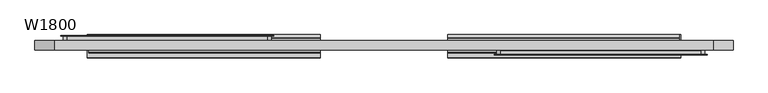
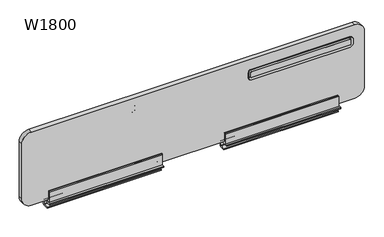
"""IFC4 building model written with IfcOpenShell, lengths in millimetres: furniture geometry, W1800."""

from ifc_helpers import new_model, si_unit, point, frame, frame_2d, origin, place, context, project, spatial, polyline, circle_curve, ellipse_curve, trimmed, segment, composite_curve, outline, extrude, source, transform, mapped, element, save
from ifc_brep_helpers import plane_surface, cylinder_surface, revolved_surface, advanced_brep


def w1800_6c0bc360(model_context):
    return source(origin(), model_context, "Body", "SolidModel", [
        extrude(outline(composite_curve([segment(trimmed(circle_curve(frame_2d((1100.5395145, 299.9604759)), 3.9604818), [point((1104.4999963, 299.9604759))], [point((1100.5395145, 295.9999941))], False, "CARTESIAN"), True, "CONTINUOUS"), segment(polyline([(1100.5395145, 295.9999941), (1077.5419464, 295.9999941)]), True, "CONTINUOUS"), segment(trimmed(circle_curve(frame_2d((1077.5419464, 300.0419496)), 4.0419555), [point((1077.5419464, 295.9999941))], [point((1073.4999909, 300.0419496))], False, "CARTESIAN"), True, "CONTINUOUS"), segment(polyline([(1073.4999909, 300.0419496), (1073.4999909, 818.0000013)]), True, "CONTINUOUS"), segment(trimmed(circle_curve(frame_2d((1077.4999909, 818.0000013)), 4.0), [point((1073.4999909, 818.0000013))], [point((1077.4999909, 822.0000013))], False, "CARTESIAN"), True, "CONTINUOUS"), segment(polyline([(1077.4999909, 822.0000013), (1100.4999963, 822.0000013)]), True, "CONTINUOUS"), segment(trimmed(circle_curve(frame_2d((1100.4999963, 818.0000013)), 4.0), [point((1100.4999963, 822.0000013))], [point((1104.4999963, 818.0000013))], False, "CARTESIAN"), True, "CONTINUOUS"), segment(polyline([(1104.4999963, 818.0000013), (1104.4999963, 299.9604759)]), True, "CONTINUOUS")], self_intersect=False)), frame((0.0, -25.5000105, 0.0), z_axis=(0.0, 1.0, 0.0), x_axis=(0.0, 0.0, 1.0)), (0.0, 0.0, 1.0), 15.4999997),
        extrude(outline(composite_curve([segment(trimmed(circle_curve(frame_2d((1077.4999909, -818.0000059)), 4.0), [point((1077.4999909, -822.0000059))], [point((1073.4999909, -818.0000059))], False, "CARTESIAN"), True, "CONTINUOUS"), segment(polyline([(1073.4999909, -818.0000059), (1073.4999909, -299.9999987)]), True, "CONTINUOUS"), segment(trimmed(circle_curve(frame_2d((1077.4999909, -299.9999987)), 4.0), [point((1073.4999909, -299.9999987))], [point((1077.4999909, -295.9999987))], False, "CARTESIAN"), True, "CONTINUOUS"), segment(polyline([(1077.4999909, -295.9999987), (1100.5029608, -295.9999987)]), True, "CONTINUOUS"), segment(trimmed(circle_curve(frame_2d((1100.5029608, -299.9970342)), 3.9970355), [point((1100.5029608, -295.9999987))], [point((1104.4999963, -299.9970342))], False, "CARTESIAN"), True, "CONTINUOUS"), segment(polyline([(1104.4999963, -299.9970342), (1104.4999963, -818.0000059)]), True, "CONTINUOUS"), segment(trimmed(circle_curve(frame_2d((1100.4999963, -818.0000059)), 4.0), [point((1104.4999963, -818.0000059))], [point((1100.4999963, -822.0000059))], False, "CARTESIAN"), True, "CONTINUOUS"), segment(polyline([(1100.4999963, -822.0000059), (1077.4999909, -822.0000059)]), True, "CONTINUOUS")], self_intersect=False)), frame((0.0, 10.0000108, 0.0), z_axis=(0.0, 1.0, 0.0), x_axis=(0.0, 0.0, 1.0)), (0.0, 0.0, 1.0), 15.4999997),
        advanced_brep(
        [(-300.0000016, 13.0062488, 1109.4999971), (-290.9999979, 13.0062488, 1100.4999934), (-290.9999979, 23.9980638, 1100.4999934), (-300.0000016, 23.9980638, 1109.4999971), (-294.0062359, 10.0000108, 1077.4999937), (-294.0062359, 10.0000108, 1100.4999934), (-300.0000016, 10.0000108, 1106.4937591), (-817.9543377, 10.0000108, 1106.4937591), (-823.9937687, 10.0000108, 1100.454328), (-823.9937687, 10.0000108, 1077.4999937), (-818.0000031, 10.0000108, 1071.5062281), (-300.0000016, 10.0000108, 1071.5062281), (-817.9543377, 10.0000108, 1104.4999963), (-300.0000016, 10.0000108, 1104.4999963), (-295.9999987, 10.0000108, 1100.4999934), (-295.9999987, 10.0000108, 1077.4999937), (-300.0000016, 10.0000108, 1073.4999909), (-818.0000031, 10.0000108, 1073.4999909), (-822.0000059, 10.0000108, 1077.4999937), (-822.0000059, 10.0000108, 1100.454328), (-290.9999979, 13.0062488, 1077.4999937), (-300.0000016, 13.0062488, 1068.4999901), (-300.0000016, 23.9980638, 1068.4999901), (-290.9999979, 23.9980638, 1077.4999937), (-822.0000059, 25.5000105, 1100.454328), (-817.9543377, 25.5000105, 1104.4999963), (-834.0000031, 23.9980638, 1100.454328), (-817.9543377, 23.9980638, 1116.4999934), (-817.9543377, 25.5000105, 1116.4999934), (-834.0000031, 25.5000105, 1100.454328), (-827.0000068, 13.0062488, 1100.454328), (-817.9543377, 13.0062488, 1109.4999971), (-817.9543377, 23.9980638, 1109.4999971), (-827.0000068, 23.9980638, 1100.454328), (-822.0000059, 25.5000105, 1077.4999937), (-834.0000031, 25.5000105, 1077.4999937), (-834.0000031, 23.9980638, 1077.4999937), (-827.0000068, 23.9980638, 1077.4999937), (-827.0000068, 13.0062488, 1077.4999937), (-818.0000031, 25.5000105, 1073.4999909), (-818.0000031, 23.9980638, 1061.4999937), (-818.0000031, 25.5000105, 1061.4999937), (-818.0000031, 13.0062488, 1068.4999901), (-818.0000031, 23.9980638, 1068.4999901), (-300.0000016, 25.5000105, 1073.4999909), (-300.0000016, 25.5000105, 1061.4999937), (-300.0000016, 23.9980638, 1061.4999937), (-295.9999987, 25.5000105, 1077.4999937), (-284.0000016, 23.9980638, 1077.4999937), (-284.0000016, 25.5000105, 1077.4999937), (-295.9999987, 25.5000105, 1100.4999934), (-284.0000016, 25.5000105, 1100.4999934), (-284.0000016, 23.9980638, 1100.4999934), (-300.0000016, 25.5000105, 1104.4999963), (-300.0000016, 23.9980638, 1116.4999934), (-300.0000016, 25.5000105, 1116.4999934)],
        [
            (0, 1, circle_curve(frame((-300.0000016, 13.0062488, 1100.4999934), z_axis=(0.0, 1.0, 0.0), x_axis=(1.0, 0.0, 0.0)), 9.0000037)),
            (1, 2),
            (2, 3, circle_curve(frame((-300.0000016, 23.9980638, 1100.4999934), z_axis=(0.0, -1.0, 0.0), x_axis=(1.0, 0.0, 0.0)), 9.0000037)),
            (3, 0),
            (4, 5),
            (5, 6, circle_curve(frame((-300.0000016, 10.0000108, 1100.4999934), z_axis=(0.0, -1.0, 0.0), x_axis=(1.0, 0.0, 0.0)), 5.9937656)),
            (6, 7),
            (7, 8, circle_curve(frame((-817.9543377, 10.0000108, 1100.454328), z_axis=(0.0, -1.0, 0.0), x_axis=(0.0, 0.0, 1.0)), 6.0394311)),
            (8, 9),
            (9, 10, circle_curve(frame((-818.0000031, 10.0000108, 1077.4999937), z_axis=(0.0, -1.0, 0.0), x_axis=(-1.0, 0.0, 0.0)), 5.9937656)),
            (10, 11),
            (11, 4, circle_curve(frame((-300.0000016, 10.0000108, 1077.4999937), z_axis=(0.0, -1.0, 0.0), x_axis=(0.0, 0.0, -1.0)), 5.9937656)),
            (12, 13),
            (13, 14, circle_curve(frame((-300.0000016, 10.0000108, 1100.4999934), z_axis=(0.0, 1.0, 0.0), x_axis=(1.0, 0.0, 0.0)), 4.0000028)),
            (14, 15),
            (15, 16, circle_curve(frame((-300.0000016, 10.0000108, 1077.4999937), z_axis=(0.0, 1.0, 0.0), x_axis=(0.0, 0.0, -1.0)), 4.0000028)),
            (16, 17),
            (17, 18, circle_curve(frame((-818.0000031, 10.0000108, 1077.4999937), z_axis=(0.0, 1.0, 0.0), x_axis=(-1.0, 0.0, 0.0)), 4.0000028)),
            (18, 19),
            (19, 12, circle_curve(frame((-817.9543377, 10.0000108, 1100.454328), z_axis=(0.0, 1.0, 0.0), x_axis=(0.0, 0.0, 1.0)), 4.0456683)),
            (20, 21, circle_curve(frame((-300.0000016, 13.0062488, 1077.4999937), z_axis=(0.0, 1.0, 0.0), x_axis=(0.0, 0.0, -1.0)), 9.0000037)),
            (21, 22),
            (22, 23, circle_curve(frame((-300.0000016, 23.9980638, 1077.4999937), z_axis=(0.0, -1.0, 0.0), x_axis=(0.0, 0.0, -1.0)), 9.0000037)),
            (23, 20),
            (11, 21, circle_curve(frame((-300.0000016, 13.0062488, 1071.5062281), z_axis=(1.0, 0.0, 0.0), x_axis=(0.0, 0.0, 1.0)), 3.006238)),
            (20, 4, circle_curve(frame((-294.0062359, 13.0062488, 1077.4999937), z_axis=(0.0, 0.0, -1.0), x_axis=(-1.0, 0.0, 0.0)), 3.006238)),
            (24, 25, circle_curve(frame((-817.9543377, 25.5000105, 1100.454328), z_axis=(0.0, 1.0, 0.0), x_axis=(0.0, 0.0, 1.0)), 4.0456683)),
            (25, 12),
            (19, 24),
            (26, 27, circle_curve(frame((-817.9543377, 23.9980638, 1100.454328), z_axis=(0.0, 1.0, 0.0), x_axis=(0.0, 0.0, 1.0)), 16.0456654)),
            (27, 28),
            (28, 29, circle_curve(frame((-817.9543377, 25.5000105, 1100.454328), z_axis=(0.0, -1.0, 0.0), x_axis=(0.0, 0.0, 1.0)), 16.0456654)),
            (29, 26),
            (30, 31, circle_curve(frame((-817.9543377, 13.0062488, 1100.454328), z_axis=(0.0, 1.0, 0.0), x_axis=(0.0, 0.0, 1.0)), 9.0456691)),
            (31, 32),
            (32, 33, circle_curve(frame((-817.9543377, 23.9980638, 1100.454328), z_axis=(0.0, -1.0, 0.0), x_axis=(0.0, 0.0, 1.0)), 9.0456691)),
            (33, 30),
            (7, 31, circle_curve(frame((-817.9543377, 13.0062488, 1106.4937591), z_axis=(-1.0, 0.0, 0.0), x_axis=(0.0, 0.0, -1.0)), 3.006238)),
            (30, 8, circle_curve(frame((-823.9937687, 13.0062488, 1100.454328), z_axis=(0.0, 0.0, 1.0), x_axis=(1.0, 0.0, 0.0)), 3.006238)),
            (18, 34),
            (34, 24),
            (29, 35),
            (35, 36),
            (36, 26),
            (33, 37),
            (37, 38),
            (38, 30),
            (38, 9, circle_curve(frame((-823.9937687, 13.0062488, 1077.4999937), z_axis=(0.0, 0.0, 1.0), x_axis=(1.0, 0.0, 0.0)), 3.006238)),
            (39, 34, circle_curve(frame((-818.0000031, 25.5000105, 1077.4999937), z_axis=(0.0, 1.0, 0.0), x_axis=(-1.0, 0.0, 0.0)), 4.0000028)),
            (17, 39),
            (40, 36, circle_curve(frame((-818.0000031, 23.9980638, 1077.4999937), z_axis=(0.0, 1.0, 0.0), x_axis=(-1.0, 0.0, 0.0)), 16.0)),
            (35, 41, circle_curve(frame((-818.0000031, 25.5000105, 1077.4999937), z_axis=(0.0, -1.0, 0.0), x_axis=(-1.0, 0.0, 0.0)), 16.0)),
            (41, 40),
            (42, 38, circle_curve(frame((-818.0000031, 13.0062488, 1077.4999937), z_axis=(0.0, 1.0, 0.0), x_axis=(-1.0, 0.0, 0.0)), 9.0000037)),
            (37, 43, circle_curve(frame((-818.0000031, 23.9980638, 1077.4999937), z_axis=(0.0, -1.0, 0.0), x_axis=(-1.0, 0.0, 0.0)), 9.0000037)),
            (43, 42),
            (42, 10, circle_curve(frame((-818.0000031, 13.0062488, 1071.5062281), z_axis=(-1.0, 0.0, 0.0), x_axis=(0.0, 0.0, 1.0)), 3.006238)),
            (16, 44),
            (44, 39),
            (41, 45),
            (45, 46),
            (46, 40),
            (43, 22),
            (21, 42),
            (47, 44, circle_curve(frame((-300.0000016, 25.5000105, 1077.4999937), z_axis=(0.0, 1.0, 0.0), x_axis=(0.0, 0.0, -1.0)), 4.0000028)),
            (15, 47),
            (48, 46, circle_curve(frame((-300.0000016, 23.9980638, 1077.4999937), z_axis=(0.0, 1.0, 0.0), x_axis=(0.0, 0.0, -1.0)), 16.0)),
            (45, 49, circle_curve(frame((-300.0000016, 25.5000105, 1077.4999937), z_axis=(0.0, -1.0, 0.0), x_axis=(0.0, 0.0, -1.0)), 16.0)),
            (49, 48),
            (14, 50),
            (50, 47),
            (49, 51),
            (51, 52),
            (52, 48),
            (23, 2),
            (1, 20),
            (1, 5, circle_curve(frame((-294.0062359, 13.0062488, 1100.4999934), z_axis=(0.0, 0.0, -1.0), x_axis=(-1.0, 0.0, 0.0)), 3.006238)),
            (53, 50, circle_curve(frame((-300.0000016, 25.5000105, 1100.4999934), z_axis=(0.0, 1.0, 0.0), x_axis=(1.0, 0.0, 0.0)), 4.0000028)),
            (13, 53),
            (54, 52, circle_curve(frame((-300.0000016, 23.9980638, 1100.4999934), z_axis=(0.0, 1.0, 0.0), x_axis=(1.0, 0.0, 0.0)), 16.0)),
            (51, 55, circle_curve(frame((-300.0000016, 25.5000105, 1100.4999934), z_axis=(0.0, -1.0, 0.0), x_axis=(1.0, 0.0, 0.0)), 16.0)),
            (55, 54),
            (0, 6, circle_curve(frame((-300.0000016, 13.0062488, 1106.4937591), z_axis=(1.0, 0.0, 0.0), x_axis=(0.0, 0.0, -1.0)), 3.006238)),
            (25, 53),
            (28, 55),
            (27, 54),
            (32, 3),
            (31, 0),
        ],
        [
            cylinder_surface(frame((-300.0000016, 0.0, 1100.4999934), z_axis=(0.0, -1.0, 0.0), x_axis=(1.0, 0.0, 0.0)), 9.0000037),
            plane_surface(frame((-300.0000016, 10.0000108, 1106.4937591), z_axis=(0.0, -1.0, 0.0), x_axis=(-1.0, 0.0, 0.0))),
            cylinder_surface(frame((-300.0000016, 0.0, 1077.4999937), z_axis=(0.0, -1.0, 0.0), x_axis=(0.0, 0.0, -1.0)), 9.0000037),
            revolved_surface(trimmed(ellipse_curve(frame((-300.0000016, 13.0062488, 1071.5062281), z_axis=(-1.0, 0.0, 0.0), x_axis=(0.0, 0.0, 1.0)), 3.006238, 3.006238), [point((-300.0000016, 13.0062488, 1068.4999901))], [point((-300.0000016, 10.0000108, 1071.5062281))], True, "CARTESIAN"), (-300.0000016, 0.0, 1077.4999937), (0.0, -1.0, 0.0)),
            revolved_surface(polyline([(-817.9543377, 10.0000108, 1104.4999963), (-817.9543377, 25.5000105, 1104.4999963)]), (-817.9543377, 0.0, 1100.454328), (0.0, -1.0, 0.0)),
            cylinder_surface(frame((-817.9543377, 0.0, 1100.454328), z_axis=(0.0, -1.0, 0.0), x_axis=(0.0, 0.0, 1.0)), 16.0456654),
            cylinder_surface(frame((-817.9543377, 0.0, 1100.454328), z_axis=(0.0, -1.0, 0.0), x_axis=(0.0, 0.0, 1.0)), 9.0456691),
            revolved_surface(trimmed(ellipse_curve(frame((-817.9543377, 13.0062488, 1106.4937591), z_axis=(1.0, 0.0, 0.0), x_axis=(0.0, 0.0, -1.0)), 3.006238, 3.006238), [point((-817.9543377, 13.0062488, 1109.4999971))], [point((-817.9543377, 10.0000108, 1106.4937591))], True, "CARTESIAN"), (-817.9543377, 0.0, 1100.454328), (0.0, -1.0, 0.0)),
            plane_surface(frame((-822.0000059, 10.0000108, 1100.454328), z_axis=(1.0, 0.0, 0.0), x_axis=(0.0, 0.0, -1.0))),
            plane_surface(frame((-834.0000031, 25.5000105, 1100.454328), z_axis=(-1.0, 0.0, 0.0), x_axis=(0.0, 0.0, -1.0))),
            plane_surface(frame((-827.0000068, 23.9980638, 1100.454328), z_axis=(-1.0, 0.0, 0.0), x_axis=(0.0, 0.0, -1.0))),
            cylinder_surface(frame((-823.9937687, 13.0062488, 1100.454328), z_axis=(0.0, 0.0, 1.0), x_axis=(1.0, 0.0, 0.0)), 3.006238),
            revolved_surface(polyline([(-822.0000058999999, 10.0000108, 1077.4999937), (-822.0000058999999, 25.5000105, 1077.4999937)]), (-818.0000031, 0.0, 1077.4999937), (0.0, -1.0, 0.0)),
            cylinder_surface(frame((-818.0000031, 0.0, 1077.4999937), z_axis=(0.0, -1.0, 0.0), x_axis=(-1.0, 0.0, 0.0)), 16.0),
            cylinder_surface(frame((-818.0000031, 0.0, 1077.4999937), z_axis=(0.0, -1.0, 0.0), x_axis=(-1.0, 0.0, 0.0)), 9.0000037),
            revolved_surface(trimmed(ellipse_curve(frame((-823.9937687, 13.0062488, 1077.4999937), z_axis=(0.0, 0.0, 1.0), x_axis=(1.0, 0.0, 0.0)), 3.006238, 3.006238), [point((-827.0000068, 13.0062488, 1077.4999937))], [point((-823.9937687, 10.0000108, 1077.4999937))], True, "CARTESIAN"), (-818.0000031, 0.0, 1077.4999937), (0.0, -1.0, 0.0)),
            plane_surface(frame((-818.0000031, 10.0000108, 1073.4999909), z_axis=(0.0, 0.0, 1.0), x_axis=(1.0, 0.0, 0.0))),
            plane_surface(frame((-818.0000031, 25.5000105, 1061.4999937), z_axis=(0.0, 0.0, -1.0), x_axis=(1.0, 0.0, 0.0))),
            plane_surface(frame((-818.0000031, 23.9980638, 1068.4999901), z_axis=(0.0, 0.0, -1.0), x_axis=(1.0, 0.0, 0.0))),
            cylinder_surface(frame((-818.0000031, 13.0062488, 1071.5062281), z_axis=(-1.0, 0.0, 0.0), x_axis=(0.0, 0.0, 1.0)), 3.006238),
            revolved_surface(polyline([(-300.0000016, 10.0000108, 1073.4999909), (-300.0000016, 25.5000105, 1073.4999909)]), (-300.0000016, 0.0, 1077.4999937), (0.0, -1.0, 0.0)),
            cylinder_surface(frame((-300.0000016, 0.0, 1077.4999937), z_axis=(0.0, -1.0, 0.0), x_axis=(0.0, 0.0, -1.0)), 16.0),
            plane_surface(frame((-295.9999987, 10.0000108, 1077.4999937), z_axis=(-1.0, 0.0, 0.0), x_axis=(0.0, 0.0, 1.0))),
            plane_surface(frame((-284.0000016, 25.5000105, 1077.4999937), z_axis=(1.0, 0.0, 0.0), x_axis=(0.0, 0.0, 1.0))),
            plane_surface(frame((-290.9999979, 23.9980638, 1077.4999937), z_axis=(1.0, 0.0, 0.0), x_axis=(0.0, 0.0, 1.0))),
            cylinder_surface(frame((-294.0062359, 13.0062488, 1077.4999937), z_axis=(0.0, 0.0, -1.0), x_axis=(-1.0, 0.0, 0.0)), 3.006238),
            revolved_surface(polyline([(-295.9999988, 10.0000108, 1100.4999934), (-295.9999988, 25.5000105, 1100.4999934)]), (-300.0000016, 0.0, 1100.4999934), (0.0, -1.0, 0.0)),
            cylinder_surface(frame((-300.0000016, 0.0, 1100.4999934), z_axis=(0.0, -1.0, 0.0), x_axis=(1.0, 0.0, 0.0)), 16.0),
            revolved_surface(trimmed(ellipse_curve(frame((-294.0062359, 13.0062488, 1100.4999934), z_axis=(0.0, 0.0, -1.0), x_axis=(-1.0, 0.0, 0.0)), 3.006238, 3.006238), [point((-290.9999979, 13.0062488, 1100.4999934))], [point((-294.0062359, 10.0000108, 1100.4999934))], True, "CARTESIAN"), (-300.0000016, 0.0, 1100.4999934), (0.0, -1.0, 0.0)),
            plane_surface(frame((-300.0000016, 10.0000108, 1104.4999963), z_axis=(0.0, 0.0, -1.0), x_axis=(-1.0, 0.0, 0.0))),
            plane_surface(frame((-300.0000016, 25.5000105, 1104.4999963), z_axis=(0.0, 1.0, 0.0), x_axis=(-1.0, 0.0, 0.0))),
            plane_surface(frame((-300.0000016, 25.5000105, 1116.4999934), z_axis=(0.0, 0.0, 1.0), x_axis=(-1.0, 0.0, 0.0))),
            plane_surface(frame((-300.0000016, 23.9980638, 1116.4999934), z_axis=(0.0, -1.0, 0.0), x_axis=(-1.0, 0.0, 0.0))),
            plane_surface(frame((-300.0000016, 23.9980638, 1109.4999971), z_axis=(0.0, 0.0, 1.0), x_axis=(-1.0, 0.0, 0.0))),
            cylinder_surface(frame((-300.0000016, 13.0062488, 1106.4937591), z_axis=(1.0, 0.0, 0.0), x_axis=(0.0, 0.0, -1.0)), 3.006238),
        ],
        [
            (0, [[1, 2, 3, 4]]),
            (1, [[5, 6, 7, 8, 9, 10, 11, 12], [13, 14, 15, 16, 17, 18, 19, 20]]),
            (2, [[21, 22, 23, 24]]),
            (3, [[-12, 25, -21, 26]]),
            (4, [[27, 28, -20, 29]]),
            (5, [[30, 31, 32, 33]]),
            (6, [[34, 35, 36, 37]]),
            (7, [[-8, 38, -34, 39]]),
            (8, [[-29, -19, 40, 41]]),
            (9, [[-33, 42, 43, 44]]),
            (10, [[-37, 45, 46, 47]]),
            (11, [[-39, -47, 48, -9]]),
            (12, [[49, -40, -18, 50]]),
            (13, [[51, -43, 52, 53]]),
            (14, [[54, -46, 55, 56]]),
            (15, [[-10, -48, -54, 57]]),
            (16, [[-50, -17, 58, 59]]),
            (17, [[-53, 60, 61, 62]]),
            (18, [[-56, 63, -22, 64]]),
            (19, [[-57, -64, -25, -11]]),
            (20, [[65, -58, -16, 66]]),
            (21, [[67, -61, 68, 69]]),
            (22, [[-66, -15, 70, 71]]),
            (23, [[-69, 72, 73, 74]]),
            (24, [[-24, 75, -2, 76]]),
            (25, [[-26, -76, 77, -5]]),
            (26, [[78, -70, -14, 79]]),
            (27, [[80, -73, 81, 82]]),
            (28, [[-6, -77, -1, 83]]),
            (29, [[-79, -13, -28, 84]]),
            (30, [[85, -81, -72, -68, -60, -52, -42, -32], [-71, -78, -84, -27, -41, -49, -59, -65]]),
            (31, [[-82, -85, -31, 86]]),
            (32, [[-74, -80, -86, -30, -44, -51, -62, -67], [87, -3, -75, -23, -63, -55, -45, -36]]),
            (33, [[-4, -87, -35, 88]]),
            (34, [[-83, -88, -38, -7]]),
        ],
    ),
        advanced_brep(
        [(299.9999969, -25.5000105, 1104.4999963), (295.9999941, -25.5000105, 1100.4999934), (295.9999941, -10.0000108, 1100.4999934), (299.9999969, -10.0000108, 1104.4999963), (283.9999969, -23.9980638, 1077.4999937), (283.9999969, -23.9980638, 1100.4999934), (299.9999969, -23.9980638, 1116.4999934), (817.954333, -23.9980638, 1116.4999934), (833.9999984, -23.9980638, 1100.454328), (833.9999984, -23.9980638, 1077.4999937), (817.9999984, -23.9980638, 1061.4999937), (299.9999969, -23.9980638, 1061.4999937), (817.954333, -23.9980638, 1109.4999971), (299.9999969, -23.9980638, 1109.4999971), (290.9999932, -23.9980638, 1100.4999934), (290.9999932, -23.9980638, 1077.4999937), (299.9999969, -23.9980638, 1068.4999901), (817.9999984, -23.9980638, 1068.4999901), (827.0000021, -23.9980638, 1077.4999937), (827.0000021, -23.9980638, 1100.454328), (299.9999969, -10.0000108, 1106.4937591), (299.9999969, -13.0062488, 1109.4999971), (817.954333, -13.0062488, 1109.4999971), (817.954333, -10.0000108, 1106.4937591), (290.9999932, -13.0062488, 1077.4999937), (299.9999969, -13.0062488, 1068.4999901), (294.0062313, -10.0000108, 1077.4999937), (299.9999969, -10.0000108, 1071.5062281), (822.0000013, -25.5000105, 1100.454328), (817.954333, -25.5000105, 1104.4999963), (817.954333, -10.0000108, 1104.4999963), (822.0000013, -10.0000108, 1100.454328), (817.954333, -25.5000105, 1116.4999934), (833.9999984, -25.5000105, 1100.454328), (827.0000021, -13.0062488, 1100.454328), (823.9937641, -10.0000108, 1100.454328), (822.0000013, -10.0000108, 1077.4999937), (822.0000013, -25.5000105, 1077.4999937), (833.9999984, -25.5000105, 1077.4999937), (827.0000021, -13.0062488, 1077.4999937), (823.9937641, -10.0000108, 1077.4999937), (817.9999984, -25.5000105, 1073.4999909), (817.9999984, -10.0000108, 1073.4999909), (817.9999984, -25.5000105, 1061.4999937), (817.9999984, -13.0062488, 1068.4999901), (817.9999984, -10.0000108, 1071.5062281), (299.9999969, -10.0000108, 1073.4999909), (299.9999969, -25.5000105, 1073.4999909), (299.9999969, -25.5000105, 1061.4999937), (295.9999941, -25.5000105, 1077.4999937), (295.9999941, -10.0000108, 1077.4999937), (283.9999969, -25.5000105, 1077.4999937), (283.9999969, -25.5000105, 1100.4999934), (290.9999932, -13.0062488, 1100.4999934), (294.0062313, -10.0000108, 1100.4999934), (299.9999969, -25.5000105, 1116.4999934)],
        [
            (0, 1, circle_curve(frame((299.9999969, -25.5000105, 1100.4999934), z_axis=(0.0, -1.0, 0.0), x_axis=(-1.0, 0.0, 0.0)), 4.0000028)),
            (1, 2),
            (2, 3, circle_curve(frame((299.9999969, -10.0000108, 1100.4999934), z_axis=(0.0, 1.0, 0.0), x_axis=(-1.0, 0.0, 0.0)), 4.0000028)),
            (3, 0),
            (4, 5),
            (5, 6, circle_curve(frame((299.9999969, -23.9980638, 1100.4999934), z_axis=(0.0, 1.0, 0.0), x_axis=(-1.0, 0.0, 0.0)), 16.0)),
            (6, 7),
            (7, 8, circle_curve(frame((817.954333, -23.9980638, 1100.454328), z_axis=(0.0, 1.0, 0.0), x_axis=(0.0, 0.0, 1.0)), 16.0456654)),
            (8, 9),
            (9, 10, circle_curve(frame((817.9999984, -23.9980638, 1077.4999937), z_axis=(0.0, 1.0, 0.0), x_axis=(1.0, 0.0, 0.0)), 16.0)),
            (10, 11),
            (11, 4, circle_curve(frame((299.9999969, -23.9980638, 1077.4999937), z_axis=(0.0, 1.0, 0.0), x_axis=(0.0, 0.0, -1.0)), 16.0)),
            (12, 13),
            (13, 14, circle_curve(frame((299.9999969, -23.9980638, 1100.4999934), z_axis=(0.0, -1.0, 0.0), x_axis=(-1.0, 0.0, 0.0)), 9.0000037)),
            (14, 15),
            (15, 16, circle_curve(frame((299.9999969, -23.9980638, 1077.4999937), z_axis=(0.0, -1.0, 0.0), x_axis=(0.0, 0.0, -1.0)), 9.0000037)),
            (16, 17),
            (17, 18, circle_curve(frame((817.9999984, -23.9980638, 1077.4999937), z_axis=(0.0, -1.0, 0.0), x_axis=(1.0, 0.0, 0.0)), 9.0000037)),
            (18, 19),
            (19, 12, circle_curve(frame((817.954333, -23.9980638, 1100.454328), z_axis=(0.0, -1.0, 0.0), x_axis=(0.0, 0.0, 1.0)), 9.0456691)),
            (20, 21, circle_curve(frame((299.9999969, -13.0062488, 1106.4937591), z_axis=(1.0, 0.0, 0.0), x_axis=(0.0, 0.0, -1.0)), 3.006238)),
            (21, 22),
            (22, 23, circle_curve(frame((817.954333, -13.0062488, 1106.4937591), z_axis=(-1.0, 0.0, 0.0), x_axis=(0.0, 0.0, -1.0)), 3.006238)),
            (23, 20),
            (24, 25, circle_curve(frame((299.9999969, -13.0062488, 1077.4999937), z_axis=(0.0, -1.0, 0.0), x_axis=(0.0, 0.0, -1.0)), 9.0000037)),
            (25, 16),
            (15, 24),
            (26, 27, circle_curve(frame((299.9999969, -10.0000108, 1077.4999937), z_axis=(0.0, -1.0, 0.0), x_axis=(0.0, 0.0, -1.0)), 5.9937656)),
            (27, 25, circle_curve(frame((299.9999969, -13.0062488, 1071.5062281), z_axis=(-1.0, 0.0, 0.0), x_axis=(0.0, 0.0, 1.0)), 3.006238)),
            (24, 26, circle_curve(frame((294.0062313, -13.0062488, 1077.4999937), z_axis=(0.0, 0.0, -1.0), x_axis=(1.0, 0.0, 0.0)), 3.006238)),
            (28, 29, circle_curve(frame((817.954333, -25.5000105, 1100.454328), z_axis=(0.0, -1.0, 0.0), x_axis=(0.0, 0.0, 1.0)), 4.0456683)),
            (29, 30),
            (30, 31, circle_curve(frame((817.954333, -10.0000108, 1100.454328), z_axis=(0.0, 1.0, 0.0), x_axis=(0.0, 0.0, 1.0)), 4.0456683)),
            (31, 28),
            (7, 32),
            (32, 33, circle_curve(frame((817.954333, -25.5000105, 1100.454328), z_axis=(0.0, 1.0, 0.0), x_axis=(0.0, 0.0, 1.0)), 16.0456654)),
            (33, 8),
            (34, 22, circle_curve(frame((817.954333, -13.0062488, 1100.454328), z_axis=(0.0, -1.0, 0.0), x_axis=(0.0, 0.0, 1.0)), 9.0456691)),
            (22, 12),
            (19, 34),
            (35, 23, circle_curve(frame((817.954333, -10.0000108, 1100.454328), z_axis=(0.0, -1.0, 0.0), x_axis=(0.0, 0.0, 1.0)), 6.0394311)),
            (34, 35, circle_curve(frame((823.9937641, -13.0062488, 1100.454328), z_axis=(0.0, 0.0, 1.0), x_axis=(-1.0, 0.0, 0.0)), 3.006238)),
            (31, 36),
            (36, 37),
            (37, 28),
            (33, 38),
            (38, 9),
            (18, 39),
            (39, 34),
            (39, 40, circle_curve(frame((823.9937641, -13.0062488, 1077.4999937), z_axis=(0.0, 0.0, 1.0), x_axis=(-1.0, 0.0, 0.0)), 3.006238)),
            (40, 35),
            (41, 37, circle_curve(frame((817.9999984, -25.5000105, 1077.4999937), z_axis=(0.0, -1.0, 0.0), x_axis=(1.0, 0.0, 0.0)), 4.0000028)),
            (36, 42, circle_curve(frame((817.9999984, -10.0000108, 1077.4999937), z_axis=(0.0, 1.0, 0.0), x_axis=(1.0, 0.0, 0.0)), 4.0000028)),
            (42, 41),
            (38, 43, circle_curve(frame((817.9999984, -25.5000105, 1077.4999937), z_axis=(0.0, 1.0, 0.0), x_axis=(1.0, 0.0, 0.0)), 16.0)),
            (43, 10),
            (44, 39, circle_curve(frame((817.9999984, -13.0062488, 1077.4999937), z_axis=(0.0, -1.0, 0.0), x_axis=(1.0, 0.0, 0.0)), 9.0000037)),
            (17, 44),
            (45, 40, circle_curve(frame((817.9999984, -10.0000108, 1077.4999937), z_axis=(0.0, -1.0, 0.0), x_axis=(1.0, 0.0, 0.0)), 5.9937656)),
            (44, 45, circle_curve(frame((817.9999984, -13.0062488, 1071.5062281), z_axis=(1.0, 0.0, 0.0), x_axis=(0.0, 0.0, 1.0)), 3.006238)),
            (42, 46),
            (46, 47),
            (47, 41),
            (43, 48),
            (48, 11),
            (25, 44),
            (27, 45),
            (49, 47, circle_curve(frame((299.9999969, -25.5000105, 1077.4999937), z_axis=(0.0, -1.0, 0.0), x_axis=(0.0, 0.0, -1.0)), 4.0000028)),
            (46, 50, circle_curve(frame((299.9999969, -10.0000108, 1077.4999937), z_axis=(0.0, 1.0, 0.0), x_axis=(0.0, 0.0, -1.0)), 4.0000028)),
            (50, 49),
            (48, 51, circle_curve(frame((299.9999969, -25.5000105, 1077.4999937), z_axis=(0.0, 1.0, 0.0), x_axis=(0.0, 0.0, -1.0)), 16.0)),
            (51, 4),
            (50, 2),
            (1, 49),
            (51, 52),
            (52, 5),
            (14, 53),
            (53, 24),
            (53, 54, circle_curve(frame((294.0062313, -13.0062488, 1100.4999934), z_axis=(0.0, 0.0, -1.0), x_axis=(1.0, 0.0, 0.0)), 3.006238)),
            (54, 26),
            (52, 55, circle_curve(frame((299.9999969, -25.5000105, 1100.4999934), z_axis=(0.0, 1.0, 0.0), x_axis=(-1.0, 0.0, 0.0)), 16.0)),
            (55, 6),
            (21, 53, circle_curve(frame((299.9999969, -13.0062488, 1100.4999934), z_axis=(0.0, -1.0, 0.0), x_axis=(-1.0, 0.0, 0.0)), 9.0000037)),
            (13, 21),
            (20, 54, circle_curve(frame((299.9999969, -10.0000108, 1100.4999934), z_axis=(0.0, -1.0, 0.0), x_axis=(-1.0, 0.0, 0.0)), 5.9937656)),
            (30, 3),
            (29, 0),
            (32, 55),
        ],
        [
            revolved_surface(polyline([(295.9999941, -10.0000108, 1100.4999934), (295.9999941, -25.5000105, 1100.4999934)]), (299.9999969, 0.0, 1100.4999934), (0.0, 1.0, 0.0)),
            plane_surface(frame((299.9999969, -23.9980638, 1116.4999934), z_axis=(0.0, 1.0, 0.0), x_axis=(1.0, 0.0, 0.0))),
            cylinder_surface(frame((299.9999969, -13.0062488, 1106.4937591), z_axis=(-1.0, 0.0, 0.0), x_axis=(0.0, 0.0, -1.0)), 3.006238),
            cylinder_surface(frame((299.9999969, 0.0, 1077.4999937), z_axis=(0.0, 1.0, 0.0), x_axis=(0.0, 0.0, -1.0)), 9.0000037),
            revolved_surface(trimmed(ellipse_curve(frame((299.9999969, -13.0062488, 1071.5062281), z_axis=(1.0, 0.0, 0.0), x_axis=(0.0, 0.0, 1.0)), 3.006238, 3.006238), [point((299.9999969, -13.0062488, 1068.4999901))], [point((299.9999969, -10.0000108, 1071.5062281))], True, "CARTESIAN"), (299.9999969, 0.0, 1077.4999937), (0.0, 1.0, 0.0)),
            revolved_surface(polyline([(817.954333, -10.0000108, 1104.4999963), (817.954333, -25.5000105, 1104.4999963)]), (817.954333, 0.0, 1100.454328), (0.0, 1.0, 0.0)),
            cylinder_surface(frame((817.954333, 0.0, 1100.454328), z_axis=(0.0, 1.0, 0.0), x_axis=(0.0, 0.0, 1.0)), 16.0456654),
            cylinder_surface(frame((817.954333, 0.0, 1100.454328), z_axis=(0.0, 1.0, 0.0), x_axis=(0.0, 0.0, 1.0)), 9.0456691),
            revolved_surface(trimmed(ellipse_curve(frame((817.954333, -13.0062488, 1106.4937591), z_axis=(-1.0, 0.0, 0.0), x_axis=(0.0, 0.0, -1.0)), 3.006238, 3.006238), [point((817.954333, -13.0062488, 1109.4999971))], [point((817.954333, -10.0000108, 1106.4937591))], True, "CARTESIAN"), (817.954333, 0.0, 1100.454328), (0.0, 1.0, 0.0)),
            plane_surface(frame((822.0000013, -10.0000108, 1100.454328), z_axis=(-1.0, 0.0, 0.0), x_axis=(0.0, 0.0, -1.0))),
            plane_surface(frame((833.9999984, -25.5000105, 1100.454328), z_axis=(1.0, 0.0, 0.0), x_axis=(0.0, 0.0, -1.0))),
            plane_surface(frame((827.0000021, -23.9980638, 1100.454328), z_axis=(1.0, 0.0, 0.0), x_axis=(0.0, 0.0, -1.0))),
            cylinder_surface(frame((823.9937641, -13.0062488, 1100.454328), z_axis=(0.0, 0.0, 1.0), x_axis=(-1.0, 0.0, 0.0)), 3.006238),
            revolved_surface(polyline([(822.0000011999999, -10.0000108, 1077.4999937), (822.0000011999999, -25.5000105, 1077.4999937)]), (817.9999984, 0.0, 1077.4999937), (0.0, 1.0, 0.0)),
            cylinder_surface(frame((817.9999984, 0.0, 1077.4999937), z_axis=(0.0, 1.0, 0.0), x_axis=(1.0, 0.0, 0.0)), 16.0),
            cylinder_surface(frame((817.9999984, 0.0, 1077.4999937), z_axis=(0.0, 1.0, 0.0), x_axis=(1.0, 0.0, 0.0)), 9.0000037),
            revolved_surface(trimmed(ellipse_curve(frame((823.9937641, -13.0062488, 1077.4999937), z_axis=(0.0, 0.0, 1.0), x_axis=(-1.0, 0.0, 0.0)), 3.006238, 3.006238), [point((827.0000021, -13.0062488, 1077.4999937))], [point((823.9937641, -10.0000108, 1077.4999937))], True, "CARTESIAN"), (817.9999984, 0.0, 1077.4999937), (0.0, 1.0, 0.0)),
            plane_surface(frame((817.9999984, -10.0000108, 1073.4999909), z_axis=(0.0, 0.0, 1.0), x_axis=(-1.0, 0.0, 0.0))),
            plane_surface(frame((817.9999984, -25.5000105, 1061.4999937), z_axis=(0.0, 0.0, -1.0), x_axis=(-1.0, 0.0, 0.0))),
            plane_surface(frame((817.9999984, -23.9980638, 1068.4999901), z_axis=(0.0, 0.0, -1.0), x_axis=(-1.0, 0.0, 0.0))),
            cylinder_surface(frame((817.9999984, -13.0062488, 1071.5062281), z_axis=(1.0, 0.0, 0.0), x_axis=(0.0, 0.0, 1.0)), 3.006238),
            revolved_surface(polyline([(299.9999969, -10.0000108, 1073.4999909), (299.9999969, -25.5000105, 1073.4999909)]), (299.9999969, 0.0, 1077.4999937), (0.0, 1.0, 0.0)),
            cylinder_surface(frame((299.9999969, 0.0, 1077.4999937), z_axis=(0.0, 1.0, 0.0), x_axis=(0.0, 0.0, -1.0)), 16.0),
            plane_surface(frame((295.9999941, -10.0000108, 1077.4999937), z_axis=(1.0, 0.0, 0.0), x_axis=(0.0, 0.0, 1.0))),
            plane_surface(frame((283.9999969, -25.5000105, 1077.4999937), z_axis=(-1.0, 0.0, 0.0), x_axis=(0.0, 0.0, 1.0))),
            plane_surface(frame((290.9999932, -23.9980638, 1077.4999937), z_axis=(-1.0, 0.0, 0.0), x_axis=(0.0, 0.0, 1.0))),
            cylinder_surface(frame((294.0062313, -13.0062488, 1077.4999937), z_axis=(0.0, 0.0, -1.0), x_axis=(1.0, 0.0, 0.0)), 3.006238),
            cylinder_surface(frame((299.9999969, 0.0, 1100.4999934), z_axis=(0.0, 1.0, 0.0), x_axis=(-1.0, 0.0, 0.0)), 16.0),
            cylinder_surface(frame((299.9999969, 0.0, 1100.4999934), z_axis=(0.0, 1.0, 0.0), x_axis=(-1.0, 0.0, 0.0)), 9.0000037),
            revolved_surface(trimmed(ellipse_curve(frame((294.0062313, -13.0062488, 1100.4999934), z_axis=(0.0, 0.0, -1.0), x_axis=(1.0, 0.0, 0.0)), 3.006238, 3.006238), [point((290.9999932, -13.0062488, 1100.4999934))], [point((294.0062313, -10.0000108, 1100.4999934))], True, "CARTESIAN"), (299.9999969, 0.0, 1100.4999934), (0.0, 1.0, 0.0)),
            plane_surface(frame((299.9999969, -10.0000108, 1106.4937591), z_axis=(0.0, 1.0, 0.0), x_axis=(1.0, 0.0, 0.0))),
            plane_surface(frame((299.9999969, -10.0000108, 1104.4999963), z_axis=(0.0, 0.0, -1.0), x_axis=(1.0, 0.0, 0.0))),
            plane_surface(frame((299.9999969, -25.5000105, 1104.4999963), z_axis=(0.0, -1.0, 0.0), x_axis=(1.0, 0.0, 0.0))),
            plane_surface(frame((299.9999969, -25.5000105, 1116.4999934), z_axis=(0.0, 0.0, 1.0), x_axis=(1.0, 0.0, 0.0))),
            plane_surface(frame((299.9999969, -23.9980638, 1109.4999971), z_axis=(0.0, 0.0, 1.0), x_axis=(1.0, 0.0, 0.0))),
        ],
        [
            (0, [[1, 2, 3, 4]]),
            (1, [[5, 6, 7, 8, 9, 10, 11, 12], [13, 14, 15, 16, 17, 18, 19, 20]]),
            (2, [[21, 22, 23, 24]]),
            (3, [[25, 26, -16, 27]]),
            (4, [[28, 29, -25, 30]]),
            (5, [[31, 32, 33, 34]]),
            (6, [[-8, 35, 36, 37]]),
            (7, [[38, 39, -20, 40]]),
            (8, [[41, -23, -38, 42]]),
            (9, [[-34, 43, 44, 45]]),
            (10, [[-37, 46, 47, -9]]),
            (11, [[-40, -19, 48, 49]]),
            (12, [[-42, -49, 50, 51]]),
            (13, [[52, -44, 53, 54]]),
            (14, [[-10, -47, 55, 56]]),
            (15, [[57, -48, -18, 58]]),
            (16, [[59, -50, -57, 60]]),
            (17, [[-54, 61, 62, 63]]),
            (18, [[-56, 64, 65, -11]]),
            (19, [[-58, -17, -26, 66]]),
            (20, [[-60, -66, -29, 67]]),
            (21, [[68, -62, 69, 70]]),
            (22, [[-12, -65, 71, 72]]),
            (23, [[-70, 73, -2, 74]]),
            (24, [[-72, 75, 76, -5]]),
            (25, [[-27, -15, 77, 78]]),
            (26, [[-30, -78, 79, 80]]),
            (27, [[-6, -76, 81, 82]]),
            (28, [[83, -77, -14, 84]]),
            (29, [[85, -79, -83, -21]]),
            (30, [[-80, -85, -24, -41, -51, -59, -67, -28], [86, -3, -73, -69, -61, -53, -43, -33]]),
            (31, [[-4, -86, -32, 87]]),
            (32, [[88, -81, -75, -71, -64, -55, -46, -36], [-74, -1, -87, -31, -45, -52, -63, -68]]),
            (33, [[-82, -88, -35, -7]]),
            (34, [[-84, -13, -39, -22]]),
        ],
    ),
        advanced_brep(
        [(764.6599081, 27.3621544, 747.5477433), (764.6599081, -30.9342155, 747.5477433), (764.6599081, -33.0608921, 745.7207015), (764.6599081, -33.0608921, 742.2468125), (764.6599081, 17.9645227, 742.2468125), (764.6599081, 19.9491314, 740.2622038), (764.6599081, 19.9491314, 717.20328), (764.6599081, 17.9575126, 715.2116612), (764.6599081, -8.6763853, 715.2116612), (764.6599081, -8.6763853, 709.9105698), (764.6599081, 18.6263588, 709.9105698), (764.6599081, 26.3467778, 717.6309888), (764.6599081, 26.3467778, 731.1874537), (764.6599081, 27.3621544, 731.1874537), (164.6599068, 17.2494203, 806.7487828), (164.6599068, 19.4137147, 802.9765936), (164.6599068, 19.4137147, 790.7559838), (164.6599068, 27.3621544, 763.6578157), (164.6599068, 27.3621544, 731.1874537), (164.6599068, 26.3467778, 731.1874537), (164.6599068, 26.3467778, 717.6309888), (164.6599068, 18.6263588, 709.9105698), (164.6599068, -8.6763853, 709.9105698), (164.6599068, -8.6763853, 715.2116612), (164.6599068, 17.9575126, 715.2116612), (164.6599068, 19.9491314, 717.20328), (164.6599068, 19.9491314, 740.2622038), (164.6599068, 17.9645227, 742.2468125), (164.6599068, -33.0608921, 742.2468125), (164.6599068, -33.0608921, 745.7207015), (164.6599068, -30.9342155, 747.5477433), (164.6599068, -19.4137147, 747.5477433), (164.6599068, -19.4137147, 802.9765936), (164.6599068, -17.2494203, 806.7487828), (164.6599068, -11.9907604, 806.7487828), (164.6599068, -11.9907604, 760.0000747), (164.6599068, 11.9907604, 760.0000747), (164.6599068, 11.9907604, 806.7487828), (760.6515089, 11.9907604, 806.7487828), (760.6515089, 17.2494203, 806.7487828), (760.6515089, 11.9907604, 760.0000747), (760.6515089, -11.9907604, 760.0000747), (760.6515089, -11.9907604, 806.7487828), (760.6515089, -17.2494203, 806.7487828), (760.6515089, -19.4137147, 802.9765936), (760.6515089, -19.4137147, 747.5477433), (760.6515089, 27.3621544, 747.5477433), (760.6515089, 27.3621544, 763.6578157), (760.6515089, 19.4137147, 790.7559838), (760.6515089, 19.4137147, 802.9765936)],
        [
            (0, 1),
            (1, 2),
            (2, 3),
            (3, 4),
            (4, 5, circle_curve(frame((764.6599081, 17.9645227, 740.2622038), z_axis=(-1.0, 0.0, 0.0), x_axis=(0.0, -1.0, 0.0)), 1.9846087)),
            (5, 6),
            (6, 7, circle_curve(frame((764.6599081, 17.9575126, 717.20328), z_axis=(-1.0, 0.0, 0.0), x_axis=(0.0, -1.0, 0.0)), 1.9916188)),
            (7, 8),
            (8, 9),
            (9, 10),
            (10, 11, circle_curve(frame((764.6599081, 18.6263588, 717.6309888), z_axis=(1.0, 0.0, 0.0), x_axis=(0.0, -1.0, 0.0)), 7.720419)),
            (11, 12),
            (12, 13),
            (13, 0),
            (14, 15),
            (15, 16),
            (16, 17),
            (17, 18),
            (18, 19),
            (19, 20),
            (20, 21, circle_curve(frame((164.6599068, 18.6263588, 717.6309888), z_axis=(-1.0, 0.0, 0.0), x_axis=(0.0, -1.0, 0.0)), 7.720419)),
            (21, 22),
            (22, 23),
            (23, 24),
            (24, 25, circle_curve(frame((164.6599068, 17.9575126, 717.20328), z_axis=(1.0, 0.0, 0.0), x_axis=(0.0, -1.0, 0.0)), 1.9916188)),
            (25, 26),
            (26, 27, circle_curve(frame((164.6599068, 17.9645227, 740.2622038), z_axis=(1.0, 0.0, 0.0), x_axis=(0.0, -1.0, 0.0)), 1.9846087)),
            (27, 28),
            (28, 29),
            (29, 30),
            (30, 31),
            (31, 32),
            (32, 33),
            (33, 34),
            (34, 35),
            (35, 36, circle_curve(frame((164.6599068, 0.0, 784.9546868), z_axis=(1.0, 0.0, 0.0), x_axis=(0.0, -1.0, 0.0)), 27.6859351)),
            (36, 37),
            (37, 14),
            (37, 38),
            (38, 39),
            (39, 14),
            (36, 40),
            (40, 38),
            (35, 41),
            (41, 40, circle_curve(frame((760.6515089, 0.0, 784.9546868), z_axis=(1.0, 0.0, 0.0), x_axis=(0.0, -1.0, 0.0)), 27.6859351)),
            (34, 42),
            (42, 41),
            (33, 43),
            (43, 42),
            (32, 44),
            (44, 43),
            (31, 45),
            (45, 44),
            (0, 46),
            (46, 45),
            (30, 1),
            (29, 2),
            (28, 3),
            (27, 4),
            (26, 5),
            (25, 6),
            (24, 7),
            (23, 8),
            (22, 9),
            (21, 10),
            (20, 11),
            (19, 12),
            (18, 13),
            (17, 47),
            (47, 46),
            (16, 48),
            (48, 47),
            (15, 49),
            (49, 48),
            (39, 49),
        ],
        [
            plane_surface(frame((764.6599081, 11.9907604, 806.7487828), z_axis=(1.0, 0.0, 0.0), x_axis=(0.0, -1.0, 0.0))),
            plane_surface(frame((164.6599068, 11.9907604, 806.7487828), z_axis=(-1.0, 0.0, 0.0), x_axis=(0.0, 1.0, 0.0))),
            plane_surface(frame((764.6599081, 17.2494203, 806.7487828), z_axis=(0.0, 0.0, 1.0), x_axis=(-1.0, 0.0, 0.0))),
            plane_surface(frame((764.6599081, 11.9907604, 806.7487828), z_axis=(0.0, -1.0, 0.0), x_axis=(-1.0, 0.0, 0.0))),
            revolved_surface(polyline([(164.6599068, -27.6859351, 784.9546868), (760.6515089, -27.6859351, 784.9546868)]), (164.6599068, 0.0, 784.9546868), (-1.0, 0.0, 0.0)),
            plane_surface(frame((764.6599081, -11.9907604, 760.0000747), z_axis=(0.0, 1.0, 0.0), x_axis=(-1.0, 0.0, 0.0))),
            plane_surface(frame((764.6599081, -11.9907604, 806.7487828), z_axis=(0.0, 0.0, 1.0), x_axis=(-1.0, 0.0, 0.0))),
            plane_surface(frame((764.6599081, -17.2494203, 806.7487828), z_axis=(0.0, -0.8673743507230226, 0.4976562425086367), x_axis=(-1.0, 0.0, 0.0))),
            plane_surface(frame((764.6599081, -19.4137147, 802.9765936), z_axis=(0.0, -1.0, 0.0), x_axis=(-1.0, 0.0, 0.0))),
            plane_surface(frame((764.6599081, -19.4137147, 747.5477433), z_axis=(0.0, 0.0, 1.0), x_axis=(-1.0, 0.0, 0.0))),
            plane_surface(frame((764.6599081, -30.9342155, 747.5477433), z_axis=(0.0, -0.6516496036973114, 0.7585201342094599), x_axis=(-1.0, 0.0, 0.0))),
            plane_surface(frame((764.6599081, -33.0608921, 745.7207015), z_axis=(0.0, -1.0, 0.0), x_axis=(-1.0, 0.0, 0.0))),
            plane_surface(frame((764.6599081, -33.0608921, 742.2468125), z_axis=(0.0, 0.0, -1.0), x_axis=(-1.0, 0.0, 0.0))),
            revolved_surface(polyline([(164.6599068, 15.979914, 740.2622038), (764.6599081000002, 15.979914, 740.2622038)]), (164.6599068, 17.9645227, 740.2622038), (-1.0, 0.0, 0.0)),
            plane_surface(frame((764.6599081, 19.9491314, 740.2622038), z_axis=(0.0, -1.0, 0.0), x_axis=(-1.0, 0.0, 0.0))),
            revolved_surface(polyline([(164.6599068, 15.965893800000002, 717.20328), (764.6599081000002, 15.965893800000002, 717.20328)]), (164.6599068, 17.9575126, 717.20328), (-1.0, 0.0, 0.0)),
            plane_surface(frame((764.6599081, 17.9575126, 715.2116612), z_axis=(0.0, 0.0, 1.0), x_axis=(-1.0, 0.0, 0.0))),
            plane_surface(frame((764.6599081, -8.6763853, 715.2116612), z_axis=(0.0, -1.0, 0.0), x_axis=(-1.0, 0.0, 0.0))),
            plane_surface(frame((764.6599081, -8.6763853, 709.9105698), z_axis=(0.0, 0.0, -1.0), x_axis=(-1.0, 0.0, 0.0))),
            cylinder_surface(frame((164.6599068, 18.6263588, 717.6309888), z_axis=(1.0, 0.0, 0.0), x_axis=(0.0, -1.0, 0.0)), 7.720419),
            plane_surface(frame((764.6599081, 26.3467778, 717.6309888), z_axis=(0.0, 1.0, 0.0), x_axis=(-1.0, 0.0, 0.0))),
            plane_surface(frame((764.6599081, 26.3467778, 731.1874537), z_axis=(0.0, 0.0, -1.0), x_axis=(-1.0, 0.0, 0.0))),
            plane_surface(frame((764.6599081, 27.3621544, 731.1874537), z_axis=(0.0, 1.0, 0.0), x_axis=(-1.0, 0.0, 0.0))),
            plane_surface(frame((764.6599081, 27.3621544, 763.6578157), z_axis=(0.0, 0.959572389528521, 0.28146194992311935), x_axis=(-1.0, 0.0, 0.0))),
            plane_surface(frame((764.6599081, 19.4137147, 790.7559838), z_axis=(0.0, 1.0, 0.0), x_axis=(-1.0, 0.0, 0.0))),
            plane_surface(frame((764.6599081, 19.4137147, 802.9765936), z_axis=(0.0, 0.8673743507230228, 0.49765624250863644), x_axis=(-1.0, 0.0, 0.0))),
            plane_surface(frame((760.6515089, 49.8496836, 747.5477433), z_axis=(1.0, 0.0, 0.0), x_axis=(0.0, -1.0, 0.0))),
        ],
        [
            (0, [[1, 2, 3, 4, 5, 6, 7, 8, 9, 10, 11, 12, 13, 14]]),
            (1, [[15, 16, 17, 18, 19, 20, 21, 22, 23, 24, 25, 26, 27, 28, 29, 30, 31, 32, 33, 34, 35, 36, 37, 38]]),
            (2, [[-38, 39, 40, 41]]),
            (3, [[-37, 42, 43, -39]]),
            (4, [[-36, 44, 45, -42]]),
            (5, [[-35, 46, 47, -44]]),
            (6, [[-34, 48, 49, -46]]),
            (7, [[-33, 50, 51, -48]]),
            (8, [[-32, 52, 53, -50]]),
            (9, [[54, 55, -52, -31, 56, -1]]),
            (10, [[-2, -56, -30, 57]]),
            (11, [[-3, -57, -29, 58]]),
            (12, [[-4, -58, -28, 59]]),
            (13, [[-5, -59, -27, 60]]),
            (14, [[-6, -60, -26, 61]]),
            (15, [[-7, -61, -25, 62]]),
            (16, [[-8, -62, -24, 63]]),
            (17, [[-9, -63, -23, 64]]),
            (18, [[-10, -64, -22, 65]]),
            (19, [[-11, -65, -21, 66]]),
            (20, [[-12, -66, -20, 67]]),
            (21, [[-13, -67, -19, 68]]),
            (22, [[-18, 69, 70, -54, -14, -68]]),
            (23, [[-17, 71, 72, -69]]),
            (24, [[-16, 73, 74, -71]]),
            (25, [[-15, -41, 75, -73]]),
            (26, [[-55, -70, -72, -74, -75, -40, -43, -45, -47, -49, -51, -53]]),
        ],
    ),
        advanced_brep(
        [(-764.6599127, 27.3621544, 731.1874537), (-764.6599127, 26.3467778, 731.1874537), (-764.6599127, 26.3467778, 717.6309888), (-764.6599127, 18.6263588, 709.9105698), (-764.6599127, -8.6763853, 709.9105698), (-764.6599127, -8.6763853, 715.2116612), (-764.6599127, 17.9575126, 715.2116612), (-764.6599127, 19.9491314, 717.20328), (-764.6599127, 19.9491314, 740.2622038), (-764.6599127, 17.9645227, 742.2468125), (-764.6599127, -33.0608921, 742.2468125), (-764.6599127, -33.0608921, 745.7207015), (-764.6599127, -30.9342155, 747.5477433), (-764.6599127, 27.3621544, 747.5477433), (-164.6599115, 17.2494203, 806.7487828), (-164.6599115, 11.9907604, 806.7487828), (-164.6599115, 11.9907604, 760.0000747), (-164.6599115, -11.9907604, 760.0000747), (-164.6599115, -11.9907604, 806.7487828), (-164.6599115, -17.2494203, 806.7487828), (-164.6599115, -19.4137147, 802.9765936), (-164.6599115, -19.4137147, 747.5477433), (-164.6599115, -30.9342155, 747.5477433), (-164.6599115, -33.0608921, 745.7207015), (-164.6599115, -33.0608921, 742.2468125), (-164.6599115, 17.9645227, 742.2468125), (-164.6599115, 19.9491314, 740.2622038), (-164.6599115, 19.9491314, 717.20328), (-164.6599115, 17.9575126, 715.2116612), (-164.6599115, -8.6763853, 715.2116612), (-164.6599115, -8.6763853, 709.9105698), (-164.6599115, 18.6263588, 709.9105698), (-164.6599115, 26.3467778, 717.6309888), (-164.6599115, 26.3467778, 731.1874537), (-164.6599115, 27.3621544, 731.1874537), (-164.6599115, 27.3621544, 763.6578157), (-164.6599115, 19.4137147, 790.7559838), (-164.6599115, 19.4137147, 802.9765936), (-760.6515135, 17.2494203, 806.7487828), (-760.6515135, 11.9907604, 806.7487828), (-760.6515135, 11.9907604, 760.0000747), (-760.6515135, -11.9907604, 760.0000747), (-760.6515135, -11.9907604, 806.7487828), (-760.6515135, -17.2494203, 806.7487828), (-760.6515135, -19.4137147, 802.9765936), (-760.6515135, -19.4137147, 747.5477433), (-760.6515135, 27.3621544, 747.5477433), (-760.6515135, 27.3621544, 763.6578157), (-760.6515135, 19.4137147, 790.7559838), (-760.6515135, 19.4137147, 802.9765936)],
        [
            (0, 1),
            (1, 2),
            (2, 3, circle_curve(frame((-764.6599127, 18.6263588, 717.6309888), z_axis=(-1.0, 0.0, 0.0), x_axis=(0.0, -1.0, 0.0)), 7.720419)),
            (3, 4),
            (4, 5),
            (5, 6),
            (6, 7, circle_curve(frame((-764.6599127, 17.9575126, 717.20328), z_axis=(1.0, 0.0, 0.0), x_axis=(0.0, -1.0, 0.0)), 1.9916188)),
            (7, 8),
            (8, 9, circle_curve(frame((-764.6599127, 17.9645227, 740.2622038), z_axis=(1.0, 0.0, 0.0), x_axis=(0.0, -1.0, 0.0)), 1.9846087)),
            (9, 10),
            (10, 11),
            (11, 12),
            (12, 13),
            (13, 0),
            (14, 15),
            (15, 16),
            (16, 17, circle_curve(frame((-164.6599115, 0.0, 784.9546868), z_axis=(-1.0, 0.0, 0.0), x_axis=(0.0, -1.0, 0.0)), 27.6859351)),
            (17, 18),
            (18, 19),
            (19, 20),
            (20, 21),
            (21, 22),
            (22, 23),
            (23, 24),
            (24, 25),
            (25, 26, circle_curve(frame((-164.6599115, 17.9645227, 740.2622038), z_axis=(-1.0, 0.0, 0.0), x_axis=(0.0, -1.0, 0.0)), 1.9846087)),
            (26, 27),
            (27, 28, circle_curve(frame((-164.6599115, 17.9575126, 717.20328), z_axis=(-1.0, 0.0, 0.0), x_axis=(0.0, -1.0, 0.0)), 1.9916188)),
            (28, 29),
            (29, 30),
            (30, 31),
            (31, 32, circle_curve(frame((-164.6599115, 18.6263588, 717.6309888), z_axis=(1.0, 0.0, 0.0), x_axis=(0.0, -1.0, 0.0)), 7.720419)),
            (32, 33),
            (33, 34),
            (34, 35),
            (35, 36),
            (36, 37),
            (37, 14),
            (14, 38),
            (38, 39),
            (39, 15),
            (39, 40),
            (40, 16),
            (40, 41, circle_curve(frame((-760.6515135, 0.0, 784.9546868), z_axis=(-1.0, 0.0, 0.0), x_axis=(0.0, -1.0, 0.0)), 27.6859351)),
            (41, 17),
            (41, 42),
            (42, 18),
            (42, 43),
            (43, 19),
            (43, 44),
            (44, 20),
            (44, 45),
            (45, 21),
            (45, 46),
            (46, 13),
            (12, 22),
            (11, 23),
            (10, 24),
            (9, 25),
            (8, 26),
            (7, 27),
            (6, 28),
            (5, 29),
            (4, 30),
            (3, 31),
            (2, 32),
            (1, 33),
            (0, 34),
            (46, 47),
            (47, 35),
            (47, 48),
            (48, 36),
            (48, 49),
            (49, 37),
            (49, 38),
        ],
        [
            plane_surface(frame((-764.6599127, 19.4137147, 802.9765936), z_axis=(-1.0000000000000002, 0.0, 0.0), x_axis=(0.0, 0.49765624250863644, -0.8673743507230228))),
            plane_surface(frame((-164.6599115, 19.4137147, 802.9765936), z_axis=(1.0000000000000002, 0.0, 0.0), x_axis=(0.0, -0.49765624250863644, 0.8673743507230228))),
            plane_surface(frame((-764.6599127, 11.9907604, 806.7487828), z_axis=(0.0, 0.0, 1.0), x_axis=(1.0, 0.0, 0.0))),
            plane_surface(frame((-764.6599127, 11.9907604, 760.0000747), z_axis=(0.0, -1.0, 0.0), x_axis=(1.0, 0.0, 0.0))),
            revolved_surface(polyline([(-164.6599115, -27.6859351, 784.9546868), (-760.6515135, -27.6859351, 784.9546868)]), (-164.6599115, 0.0, 784.9546868), (1.0, 0.0, 0.0)),
            plane_surface(frame((-764.6599127, -11.9907604, 806.7487828), z_axis=(0.0, 1.0, 0.0), x_axis=(1.0, 0.0, 0.0))),
            plane_surface(frame((-764.6599127, -17.2494203, 806.7487828), z_axis=(0.0, 0.0, 1.0), x_axis=(1.0, 0.0, 0.0))),
            plane_surface(frame((-764.6599127, -19.4137147, 802.9765936), z_axis=(0.0, -0.8673743507230226, 0.4976562425086367), x_axis=(1.0, 0.0, 0.0))),
            plane_surface(frame((-764.6599127, -19.4137147, 747.5477433), z_axis=(0.0, -1.0, 0.0), x_axis=(1.0, 0.0, 0.0))),
            plane_surface(frame((-764.6599127, -30.9342155, 747.5477433), z_axis=(0.0, 0.0, 1.0), x_axis=(1.0, 0.0, 0.0))),
            plane_surface(frame((-764.6599127, -33.0608921, 745.7207015), z_axis=(0.0, -0.6516496036973114, 0.7585201342094599), x_axis=(1.0, 0.0, 0.0))),
            plane_surface(frame((-764.6599127, -33.0608921, 742.2468125), z_axis=(0.0, -1.0, 0.0), x_axis=(1.0, 0.0, 0.0))),
            plane_surface(frame((-764.6599127, 17.9645227, 742.2468125), z_axis=(0.0, 0.0, -1.0), x_axis=(1.0, 0.0, 0.0))),
            revolved_surface(polyline([(-164.6599115, 15.979914, 740.2622038), (-764.6599127, 15.979914, 740.2622038)]), (-164.6599115, 17.9645227, 740.2622038), (1.0, 0.0, 0.0)),
            plane_surface(frame((-764.6599127, 19.9491314, 717.20328), z_axis=(0.0, -1.0, 0.0), x_axis=(1.0, 0.0, 0.0))),
            revolved_surface(polyline([(-164.6599115, 15.965893800000002, 717.20328), (-764.6599127, 15.965893800000002, 717.20328)]), (-164.6599115, 17.9575126, 717.20328), (1.0, 0.0, 0.0)),
            plane_surface(frame((-764.6599127, -8.6763853, 715.2116612), z_axis=(0.0, 0.0, 1.0), x_axis=(1.0, 0.0, 0.0))),
            plane_surface(frame((-764.6599127, -8.6763853, 709.9105698), z_axis=(0.0, -1.0, 0.0), x_axis=(1.0, 0.0, 0.0))),
            plane_surface(frame((-764.6599127, 18.6263588, 709.9105698), z_axis=(0.0, 0.0, -1.0), x_axis=(1.0, 0.0, 0.0))),
            cylinder_surface(frame((-164.6599115, 18.6263588, 717.6309888), z_axis=(-1.0, 0.0, 0.0), x_axis=(0.0, -1.0, 0.0)), 7.720419),
            plane_surface(frame((-764.6599127, 26.3467778, 731.1874537), z_axis=(0.0, 1.0, 0.0), x_axis=(1.0, 0.0, 0.0))),
            plane_surface(frame((-764.6599127, 27.3621544, 731.1874537), z_axis=(0.0, 0.0, -1.0), x_axis=(1.0, 0.0, 0.0))),
            plane_surface(frame((-764.6599127, 27.3621544, 763.6578157), z_axis=(0.0, 1.0, 0.0), x_axis=(1.0, 0.0, 0.0))),
            plane_surface(frame((-764.6599127, 19.4137147, 790.7559838), z_axis=(0.0, 0.959572389528521, 0.28146194992311935), x_axis=(1.0, 0.0, 0.0))),
            plane_surface(frame((-764.6599127, 19.4137147, 802.9765936), z_axis=(0.0, 1.0, 0.0), x_axis=(1.0, 0.0, 0.0))),
            plane_surface(frame((-764.6599127, 17.2494203, 806.7487828), z_axis=(0.0, 0.8673743507230228, 0.49765624250863644), x_axis=(1.0, 0.0, 0.0))),
            plane_surface(frame((-760.6515135, 49.8496836, 812.5477433), z_axis=(-1.0, 0.0, 0.0), x_axis=(0.0, -1.0, 0.0))),
        ],
        [
            (0, [[1, 2, 3, 4, 5, 6, 7, 8, 9, 10, 11, 12, 13, 14]]),
            (1, [[15, 16, 17, 18, 19, 20, 21, 22, 23, 24, 25, 26, 27, 28, 29, 30, 31, 32, 33, 34, 35, 36, 37, 38]]),
            (2, [[-15, 39, 40, 41]]),
            (3, [[-16, -41, 42, 43]]),
            (4, [[-17, -43, 44, 45]]),
            (5, [[-18, -45, 46, 47]]),
            (6, [[-19, -47, 48, 49]]),
            (7, [[-20, -49, 50, 51]]),
            (8, [[-21, -51, 52, 53]]),
            (9, [[-22, -53, 54, 55, -13, 56]]),
            (10, [[-56, -12, 57, -23]]),
            (11, [[-11, 58, -24, -57]]),
            (12, [[-10, 59, -25, -58]]),
            (13, [[-9, 60, -26, -59]]),
            (14, [[-8, 61, -27, -60]]),
            (15, [[-7, 62, -28, -61]]),
            (16, [[-6, 63, -29, -62]]),
            (17, [[-5, 64, -30, -63]]),
            (18, [[-4, 65, -31, -64]]),
            (19, [[-3, 66, -32, -65]]),
            (20, [[-2, 67, -33, -66]]),
            (21, [[-1, 68, -34, -67]]),
            (22, [[-35, -68, -14, -55, 69, 70]]),
            (23, [[-36, -70, 71, 72]]),
            (24, [[-37, -72, 73, 74]]),
            (25, [[-38, -74, 75, -39]]),
            (26, [[-54, -52, -50, -48, -46, -44, -42, -40, -75, -73, -71, -69]]),
        ],
    ),
        extrude(outline(composite_curve([segment(polyline([(1165.0000005, 849.9999977), (1165.0000005, -850.0000023)]), True, "CONTINUOUS"), segment(trimmed(circle_curve(frame_2d((1115.0000005, -850.0000023)), 50.0), [point((1165.0000005, -850.0000023))], [point((1115.0000005, -900.0000023))], False, "CARTESIAN"), True, "CONTINUOUS"), segment(polyline([(1115.0000005, -900.0000023), (808.0000005, -900.0000023)]), True, "CONTINUOUS"), segment(trimmed(circle_curve(frame_2d((808.0000005, -850.0000023)), 50.0), [point((808.0000005, -900.0000023))], [point((758.0000005, -850.0000023))], False, "CARTESIAN"), True, "CONTINUOUS"), segment(polyline([(758.0000005, -850.0000023), (758.0000005, 849.9999977)]), True, "CONTINUOUS"), segment(trimmed(circle_curve(frame_2d((808.0000005, 849.9999977)), 50.0), [point((758.0000005, 849.9999977))], [point((808.0000005, 899.9999977))], False, "CARTESIAN"), True, "CONTINUOUS"), segment(polyline([(808.0000005, 899.9999977), (1115.0000005, 899.9999977)]), True, "CONTINUOUS"), segment(trimmed(circle_curve(frame_2d((1115.0000005, 849.9999977)), 50.0), [point((1115.0000005, 899.9999977))], [point((1165.0000005, 849.9999977))], False, "CARTESIAN"), True, "CONTINUOUS")], self_intersect=False)), frame((0.0, -12.0000871, 0.0), z_axis=(0.0, 1.0, 0.0), x_axis=(0.0, 0.0, 1.0)), (0.0, 0.0, 1.0), 23.9999995),
    ])


if __name__ == "__main__":
    model = new_model("IFC4")
    model_context = context("Model", 3, world=origin())
    ifc_project = project(units=[si_unit("LENGTHUNIT", "METRE", prefix="MILLI")], contexts=[model_context])
    site = spatial("IfcSite", under=ifc_project)
    building = spatial("IfcBuilding", under=site)
    placement = place(None, origin())
    w1800_shape = w1800_6c0bc360(model_context)
    element("IfcFurniture", 1, ObjectType="W1800", at=placement, inside=building, context=model_context, shape_type="MappedRepresentation", body=[
        mapped(w1800_shape, transform((0.0, 0.0, 0.0), x_axis=(1.0, 0.0, 0.0), y_axis=(0.0, 1.0, 0.0), z_axis=(0.0, 0.0, 1.0))),
    ])
    save(model, "model.ifc")
